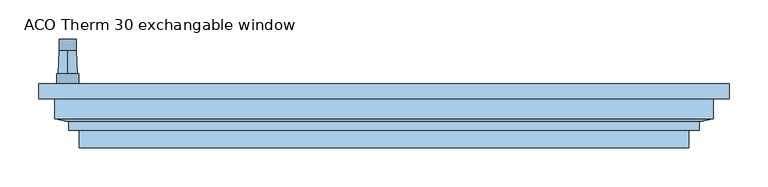
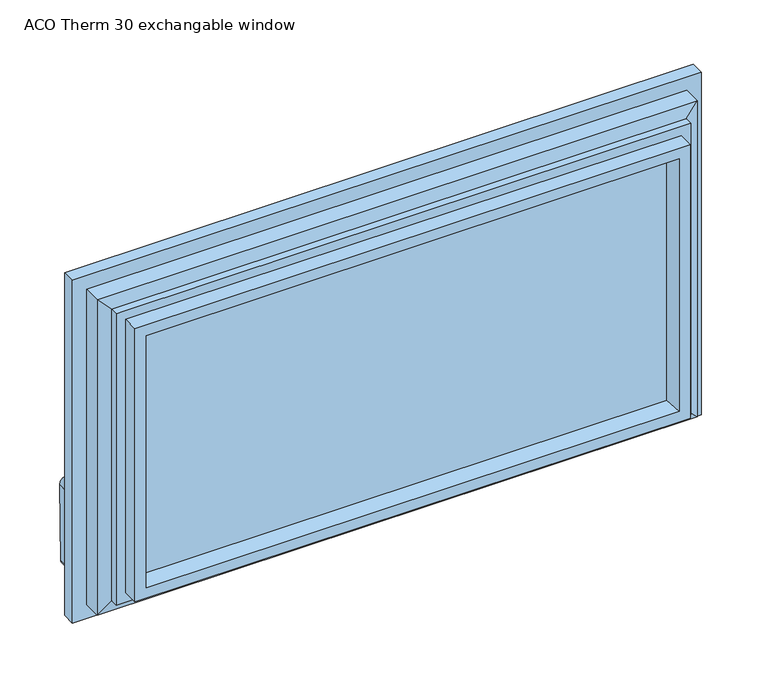
"""IFC4 building model written with IfcOpenShell, lengths in millimetres: window geometry, ACO Therm 30 exchangable window."""

from ifc_helpers import new_model, si_unit, point, frame, frame_2d, origin, place, context, project, spatial, polyline, circle_curve, trimmed, segment, composite_curve, outline, extrude, faceted_brep, source, transform, mapped, element, save
from ifc_brep_helpers import plane_surface, cylinder_surface, revolved_surface, advanced_brep


def aco_therm_30_exchangable_window_5c2b65d4(model_context):
    return source(origin(), model_context, "Body", "SolidModel", [
        advanced_brep(
        [(-391.2, 30.8, 220.2), (-391.2, 30.8, 184.8), (-419.8, 30.8, 184.8), (-419.8, 30.8, 220.2), (-405.5, 30.8, 190.5), (-405.5, 30.8, 214.5), (-391.2, 18.0, 220.2), (-419.8, 18.0, 220.2), (-419.8, 18.0, 184.8), (-391.2, 18.0, 184.8), (-405.5, 60.5837804, 213.45), (-405.5, 60.5837804, 191.55)],
        [
            (0, 1),
            (1, 2, circle_curve(frame((-405.5, 30.8, 184.8), z_axis=(0.0, 1.0, 0.0), x_axis=(-1.0, 0.0, 0.0)), 14.3)),
            (2, 3),
            (3, 0, circle_curve(frame((-405.5, 30.8, 220.2), z_axis=(0.0, 1.0, 0.0), x_axis=(-1.0, 0.0, 0.0)), 14.3)),
            (4, 5, circle_curve(frame((-405.5, 30.8, 202.5), z_axis=(0.0, -1.0, 0.0), x_axis=(0.0, 0.0, 1.0)), 12.0)),
            (5, 4, circle_curve(frame((-405.5, 30.8, 202.5), z_axis=(0.0, -1.0, 0.0), x_axis=(0.0, 0.0, -1.0)), 12.0)),
            (6, 7, circle_curve(frame((-405.5, 18.0, 220.2), z_axis=(0.0, -1.0, 0.0), x_axis=(-1.0, 0.0, 0.0)), 14.3)),
            (7, 8),
            (8, 9, circle_curve(frame((-405.5, 18.0, 184.8), z_axis=(0.0, -1.0, 0.0), x_axis=(-1.0, 0.0, 0.0)), 14.3)),
            (9, 6),
            (0, 6),
            (9, 1),
            (8, 2),
            (7, 3),
            (10, 11, circle_curve(frame((-405.5, 60.5837804, 202.5), z_axis=(0.0, 1.0, 0.0), x_axis=(0.0, 0.0, 1.0)), 10.95)),
            (11, 10, circle_curve(frame((-405.5, 60.5837804, 202.5), z_axis=(0.0, 1.0, 0.0), x_axis=(0.0, 0.0, -1.0)), 10.95)),
            (10, 5),
            (4, 11),
        ],
        [
            plane_surface(frame((-391.2, 30.8, 220.2), z_axis=(0.0, 1.0, 0.0), x_axis=(0.0, 0.0, -1.0))),
            plane_surface(frame((-391.2, 18.0, 220.2), z_axis=(0.0, -1.0, 0.0), x_axis=(0.0, 0.0, 1.0))),
            plane_surface(frame((-391.2, 30.8, 220.2), z_axis=(1.0, 0.0, 0.0), x_axis=(0.0, -1.0, 0.0))),
            cylinder_surface(frame((-405.5, 18.0, 184.8), z_axis=(0.0, 1.0, 0.0), x_axis=(-1.0, 0.0, 0.0)), 14.3),
            plane_surface(frame((-419.8, 30.8, 184.8), z_axis=(-1.0, 0.0, 0.0), x_axis=(0.0, -1.0, 0.0))),
            cylinder_surface(frame((-405.5, 18.0, 220.2), z_axis=(0.0, 1.0, 0.0), x_axis=(-1.0, 0.0, 0.0)), 14.3),
            plane_surface(frame((-405.5, 60.5837804, 202.5), z_axis=(0.0, 1.0, 0.0), x_axis=(1.0, 0.0, 0.0))),
            revolved_surface(polyline([(-405.5, 60.58378040000002, 213.4500000002644), (-405.5, 30.80000000000001, 214.5)]), (-405.5, 371.1860618, 202.5), (0.0, -1.0, 0.0)),
            revolved_surface(polyline([(-405.5, 60.58378040000002, 191.5499999997356), (-405.5, 30.80000000000001, 190.5)]), (-405.5, 371.1860618, 202.5), (0.0, -1.0, 0.0)),
        ],
        [
            (0, [[1, 2, 3, 4], [5, 6]]),
            (1, [[7, 8, 9, 10]]),
            (2, [[-1, 11, -10, 12]]),
            (3, [[-2, -12, -9, 13]]),
            (4, [[-3, -13, -8, 14]]),
            (5, [[-4, -14, -7, -11]]),
            (6, [[15, 16]]),
            (7, [[-15, 17, -5, 18]]),
            (8, [[-16, -18, -6, -17]]),
        ],
    ),
        extrude(outline(composite_curve([segment(trimmed(circle_curve(frame_2d((89.5593058, -409.4580365)), 5.1186159), [point((89.5592661, -414.5766524))], [point((84.4406899, -409.4580365))], False, "CARTESIAN"), True, "CONTINUOUS"), segment(polyline([(84.4406899, -409.4580365), (84.4406899, -401.5419635)]), True, "CONTINUOUS"), segment(trimmed(circle_curve(frame_2d((89.5593058, -401.5419635)), 5.1186159), [point((84.4406899, -401.5419635))], [point((89.3895475, -396.4261634))], False, "CARTESIAN"), True, "CONTINUOUS"), segment(polyline([(89.3895475, -396.4261634), (202.5, -394.55)]), True, "CONTINUOUS"), segment(trimmed(circle_curve(frame_2d((202.5, -405.5)), 10.95), [point((202.5, -394.55))], [point((202.5, -416.45))], False, "CARTESIAN"), True, "CONTINUOUS"), segment(polyline([(202.5, -416.45), (89.5592661, -414.5766524)]), True, "CONTINUOUS")], self_intersect=False)), frame((0.0, 60.5837804, 0.0), z_axis=(0.0, 1.0, 0.0), x_axis=(0.0, 0.0, 1.0)), (0.0, 0.0, 1.0), 15.0),
        extrude(outline(polyline([(386.5, -3.0), (386.5, -7.0), (-386.5, -7.0), (-386.5, -3.0), (386.5, -3.0)])), frame((0.0, 0.0, 108.5), z_axis=(0.0, 0.0, 1.0), x_axis=(1.0, 0.0, 0.0)), (0.0, 0.0, 1.0), 398.0),
        extrude(outline(polyline([(386.5, -39.0), (386.5, -43.0), (-386.5, -43.0), (-386.5, -39.0), (386.5, -39.0)])), frame((0.0, 0.0, 108.5), z_axis=(0.0, 0.0, 1.0), x_axis=(1.0, 0.0, 0.0)), (0.0, 0.0, 1.0), 398.0),
        extrude(outline(polyline([(386.5, -21.0), (386.5, -25.0), (-386.5, -25.0), (-386.5, -21.0), (386.5, -21.0)])), frame((0.0, 0.0, 108.5), z_axis=(0.0, 0.0, 1.0), x_axis=(1.0, 0.0, 0.0)), (0.0, 0.0, 1.0), 398.0),
        faceted_brep([(422.5, -1.0, 542.5), (422.5, -26.45, 542.5), (422.5, -26.45, 72.5), (422.5, -1.0, 72.5), (442.5, 18.0, 562.5), (442.5, -1.0, 562.5), (442.5, -1.0, 52.5), (442.5, 18.0, 52.5), (370.3364776, -3.0, 490.3364776), (359.6599742, 18.0, 479.6599742), (359.6599742, 18.0, 135.3400258), (370.3364776, -3.0, 124.6635224), (386.5, -43.0, 506.5), (386.5, -3.0, 506.5), (386.5, -3.0, 108.5), (386.5, -43.0, 108.5), (375.1595631, -64.0, 495.1595631), (369.53263, -43.0, 489.53263), (369.53263, -43.0, 125.46737), (375.1595631, -64.0, 119.8404369), (390.9018435, -64.0, 510.9018435), (390.9018435, -64.0, 104.0981565), (390.9018435, -41.5, 104.0981565), (390.9018435, -41.5, 510.9018435), (404.3518435, -30.6, 524.3518435), (404.3518435, -41.5, 524.3518435), (404.3518435, -41.5, 90.6481565), (404.3518435, -30.6, 90.6481565), (-422.5, -26.45, 72.5), (-422.5, -1.0, 72.5), (-442.5, -1.0, 52.5), (-442.5, 18.0, 52.5), (-359.6599742, 18.0, 135.3400258), (-370.3364776, -3.0, 124.6635224), (-386.5, -3.0, 108.5), (-386.5, -43.0, 108.5), (-369.53263, -43.0, 125.46737), (-375.1595631, -64.0, 119.8404369), (-390.9018435, -64.0, 104.0981565), (-390.9018435, -41.5, 104.0981565), (-404.3518435, -41.5, 90.6481565), (-404.3518435, -30.6, 90.6481565), (-422.5, -26.45, 542.5), (-422.5, -1.0, 542.5), (-442.5, -1.0, 562.5), (-442.5, 18.0, 562.5), (-359.6599742, 18.0, 479.6599742), (-370.3364776, -3.0, 490.3364776), (-386.5, -3.0, 506.5), (-386.5, -43.0, 506.5), (-369.53263, -43.0, 489.53263), (-375.1595631, -64.0, 495.1595631), (-390.9018435, -64.0, 510.9018435), (-390.9018435, -41.5, 510.9018435), (-404.3518435, -41.5, 524.3518435), (-404.3518435, -30.6, 524.3518435)], [[[0, 1, 2, 3]], [[4, 5, 6, 7]], [[8, 9, 10, 11]], [[12, 13, 14, 15]], [[16, 17, 18, 19]], [[20, 21, 22, 23]], [[24, 25, 26, 27]], [[1, 24, 27, 2]], [[3, 2, 28, 29]], [[7, 6, 30, 31]], [[11, 10, 32, 33]], [[15, 14, 34, 35]], [[19, 18, 36, 37]], [[22, 21, 38, 39]], [[27, 26, 40, 41]], [[2, 27, 41, 28]], [[29, 28, 42, 43]], [[31, 30, 44, 45]], [[33, 32, 46, 47]], [[35, 34, 48, 49]], [[37, 36, 50, 51]], [[39, 38, 52, 53]], [[41, 40, 54, 55]], [[28, 41, 55, 42]], [[43, 42, 1, 0]], [[5, 44, 30, 6], [3, 29, 43, 0]], [[45, 44, 5, 4]], [[7, 31, 45, 4], [9, 46, 32, 10]], [[47, 46, 9, 8]], [[13, 48, 34, 14], [11, 33, 47, 8]], [[49, 48, 13, 12]], [[15, 35, 49, 12], [17, 50, 36, 18]], [[51, 50, 17, 16]], [[20, 52, 38, 21], [19, 37, 51, 16]], [[53, 52, 20, 23]], [[25, 54, 40, 26], [22, 39, 53, 23]], [[55, 54, 25, 24]], [[42, 55, 24, 1]]]),
    ])


if __name__ == "__main__":
    model = new_model("IFC4")
    model_context = context("Model", 3, world=origin())
    ifc_project = project(units=[si_unit("LENGTHUNIT", "METRE", prefix="MILLI")], contexts=[model_context])
    site = spatial("IfcSite", under=ifc_project)
    building = spatial("IfcBuilding", under=site)
    placement = place(None, origin())
    aco_therm_30_exchangable_window_shape = aco_therm_30_exchangable_window_5c2b65d4(model_context)
    element("IfcWindow", 1, ObjectType="ACO Therm 30 exchangable window", at=placement, inside=building, context=model_context, shape_type="MappedRepresentation", body=[
        mapped(aco_therm_30_exchangable_window_shape, transform((0.0, 0.0, 0.0), x_axis=(1.0, 0.0, 0.0), y_axis=(0.0, 1.0, 0.0), z_axis=(0.0, 0.0, 1.0))),
    ])
    save(model, "model.ifc")
